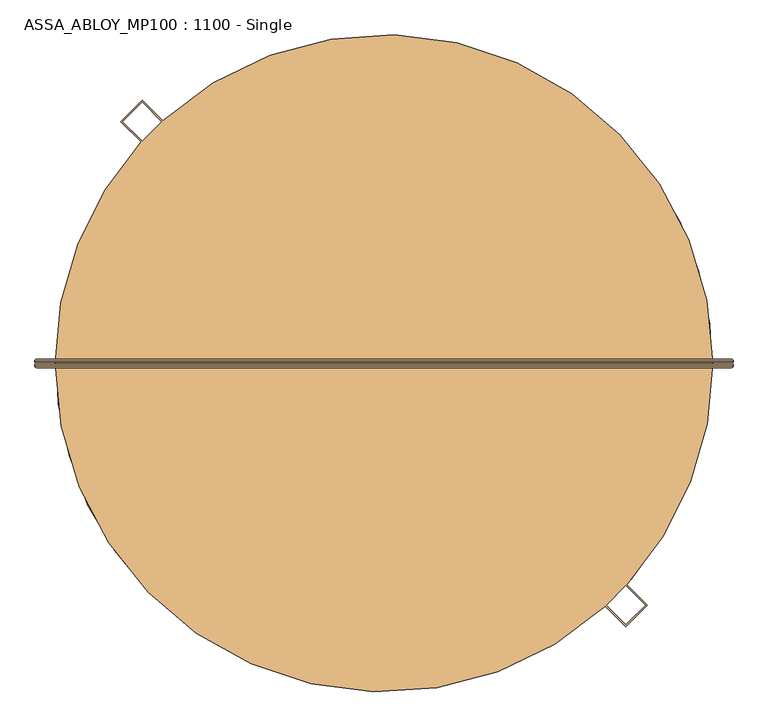
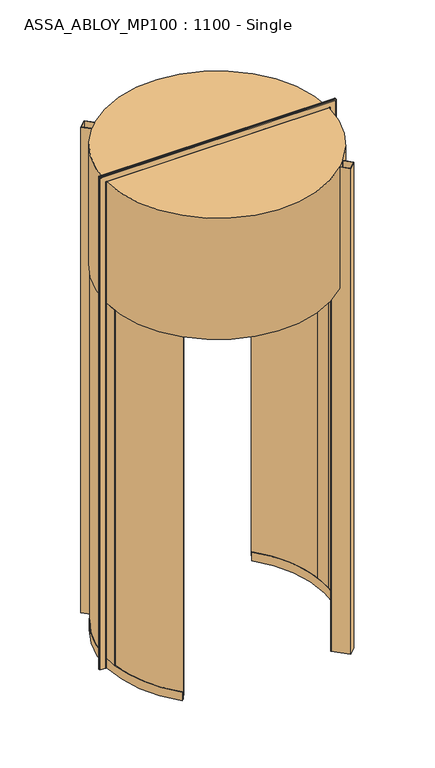
"""IFC4 building model written with IfcOpenShell, lengths in millimetres: door geometry, ASSA_ABLOY_MP100 : 1100 - Single."""

from ifc_helpers import new_model, si_unit, point, frame, frame_2d, origin, place, context, project, spatial, polyline, circle_curve, ellipse_curve, trimmed, segment, composite_curve, outline, extrude, source, transform, mapped, element, save
from ifc_brep_helpers import plane_surface, cylinder_surface, revolved_surface, advanced_brep


def assa_abloy_mp100_1100_single_3807e655(model_context):
    return source(origin(), model_context, "Body", "SolidModel", [
        advanced_brep(
        [(1042.5980762, 11.0, 0.0), (1046.5980762, 7.0, 0.0), (1046.5980762, 3.0, 0.0), (1044.5980762, 3.0, 0.0), (1044.5980762, 7.0, 0.0), (1042.5980762, 9.0, 0.0), (1000.5980762, 9.0, 0.0), (998.5980762, 7.0, 0.0), (998.5980762, 3.0, 0.0), (996.5980762, 3.0, 0.0), (996.5980762, 7.0, 0.0), (1000.5980762, 11.0, 0.0), (1042.5980762, 11.0, 4050.9980762), (1046.5980762, 7.0, 4054.9980762), (1046.5980762, 3.0, 4054.9980762), (996.5980762, 7.0, 4004.9980762), (1000.5980762, 11.0, 4008.9980762), (-750.5980762, 11.0, 4008.9980762), (-750.5980762, 11.0, 0.0), (-792.5980762, 11.0, 0.0), (-792.5980762, 11.0, 4050.9980762), (-796.5980762, 7.0, 4054.9980762), (-796.5980762, 3.0, 4054.9980762), (-746.5980762, 7.0, 4004.9980762), (-746.5980762, 7.0, 0.0), (-746.5980762, 3.0, 0.0), (-748.5980762, 3.0, 0.0), (-748.5980762, 7.0, 0.0), (-750.5980762, 9.0, 0.0), (-792.5980762, 9.0, 0.0), (-794.5980762, 7.0, 0.0), (-794.5980762, 3.0, 0.0), (-796.5980762, 3.0, 0.0), (-796.5980762, 7.0, 0.0), (-794.5980762, 3.0, 4052.9980762), (1044.5980762, 3.0, 4052.9980762), (1044.5980762, 7.0, 4052.9980762), (1042.5980762, 9.0, 4050.9980762), (-792.5980762, 9.0, 4050.9980762), (-750.5980762, 9.0, 4008.9980762), (1000.5980762, 9.0, 4008.9980762), (998.5980762, 7.0, 4006.9980762), (998.5980762, 3.0, 4006.9980762), (-748.5980762, 3.0, 4006.9980762), (-746.5980762, 3.0, 4004.9980762), (996.5980762, 3.0, 4004.9980762), (-794.5980762, 7.0, 4052.9980762), (-748.5980762, 7.0, 4006.9980762)],
        [
            (0, 1, circle_curve(frame((1042.5980762, 7.0, 0.0), z_axis=(0.0, 0.0, -1.0), x_axis=(-1.0, 0.0, 0.0)), 4.0)),
            (1, 2),
            (2, 3),
            (3, 4),
            (4, 5, circle_curve(frame((1042.5980762, 7.0, 0.0), z_axis=(0.0, 0.0, 1.0), x_axis=(-1.0, 0.0, 0.0)), 2.0)),
            (5, 6),
            (6, 7, circle_curve(frame((1000.5980762, 7.0, 0.0), z_axis=(0.0, 0.0, 1.0), x_axis=(-1.0, 0.0, 0.0)), 2.0)),
            (7, 8),
            (8, 9),
            (9, 10),
            (10, 11, circle_curve(frame((1000.5980762, 7.0, 0.0), z_axis=(0.0, 0.0, -1.0), x_axis=(-1.0, 0.0, 0.0)), 4.0)),
            (11, 0),
            (0, 12),
            (12, 13, ellipse_curve(frame((1042.5980762, 7.0, 4050.9980762), z_axis=(0.7071067811865475, 0.0, -0.7071067811865475), x_axis=(-0.7071067811865474, 0.0, -0.7071067811865476)), 5.6568542, 4.0)),
            (13, 1),
            (13, 14),
            (14, 2),
            (10, 15),
            (15, 16, ellipse_curve(frame((1000.5980762, 7.0, 4008.9980762), z_axis=(0.7071067811865475, 0.0, -0.7071067811865475), x_axis=(-0.7071067811865474, 0.0, -0.7071067811865476)), 5.6568542, 4.0)),
            (16, 11),
            (16, 17),
            (17, 18),
            (18, 19),
            (19, 20),
            (20, 12),
            (20, 21, ellipse_curve(frame((-792.5980762, 7.0, 4050.9980762), z_axis=(0.7071067811865475, 0.0, 0.7071067811865475), x_axis=(0.7071067811865476, 0.0, -0.7071067811865474)), 5.6568542, 4.0)),
            (21, 13),
            (21, 22),
            (22, 14),
            (15, 23),
            (23, 17, ellipse_curve(frame((-750.5980762, 7.0, 4008.9980762), z_axis=(0.7071067811865475, 0.0, 0.7071067811865475), x_axis=(0.7071067811865476, 0.0, -0.7071067811865474)), 5.6568542, 4.0)),
            (18, 24, circle_curve(frame((-750.5980762, 7.0, 0.0), z_axis=(0.0, 0.0, -1.0), x_axis=(1.0, 0.0, 0.0)), 4.0)),
            (24, 25),
            (25, 26),
            (26, 27),
            (27, 28, circle_curve(frame((-750.5980762, 7.0, 0.0), z_axis=(0.0, 0.0, 1.0), x_axis=(1.0, 0.0, 0.0)), 2.0)),
            (28, 29),
            (29, 30, circle_curve(frame((-792.5980762, 7.0, 0.0), z_axis=(0.0, 0.0, 1.0), x_axis=(1.0, 0.0, 0.0)), 2.0)),
            (30, 31),
            (31, 32),
            (32, 33),
            (33, 19, circle_curve(frame((-792.5980762, 7.0, 0.0), z_axis=(0.0, 0.0, -1.0), x_axis=(1.0, 0.0, 0.0)), 4.0)),
            (33, 21),
            (32, 22),
            (23, 24),
            (31, 34),
            (34, 35),
            (35, 3),
            (35, 36),
            (36, 4),
            (36, 37, ellipse_curve(frame((1042.5980762, 7.0, 4050.9980762), z_axis=(-0.7071067811865475, 0.0, 0.7071067811865475), x_axis=(0.7071067811865474, 0.0, 0.7071067811865476)), 2.8284271, 2.0)),
            (37, 5),
            (37, 38),
            (38, 29),
            (28, 39),
            (39, 40),
            (40, 6),
            (40, 41, ellipse_curve(frame((1000.5980762, 7.0, 4008.9980762), z_axis=(-0.7071067811865475, 0.0, 0.7071067811865475), x_axis=(0.7071067811865474, 0.0, 0.7071067811865476)), 2.8284271, 2.0)),
            (41, 7),
            (41, 42),
            (42, 8),
            (42, 43),
            (43, 26),
            (25, 44),
            (44, 45),
            (45, 9),
            (45, 15),
            (34, 46),
            (46, 36),
            (46, 38, ellipse_curve(frame((-792.5980762, 7.0, 4050.9980762), z_axis=(-0.7071067811865475, 0.0, -0.7071067811865475), x_axis=(-0.7071067811865476, 0.0, 0.7071067811865474)), 2.8284271, 2.0)),
            (39, 47, ellipse_curve(frame((-750.5980762, 7.0, 4008.9980762), z_axis=(-0.7071067811865475, 0.0, -0.7071067811865475), x_axis=(-0.7071067811865476, 0.0, 0.7071067811865474)), 2.8284271, 2.0)),
            (47, 41),
            (47, 43),
            (44, 23),
            (30, 46),
            (27, 47),
        ],
        [
            plane_surface(frame((996.6, 0.0, 0.0), z_axis=(0.0, 0.0, -1.0), x_axis=(0.0, -1.0, 0.0))),
            cylinder_surface(frame((1042.5980762, 7.0, 0.0), z_axis=(0.0, 0.0, -1.0), x_axis=(-1.0, 0.0, 0.0)), 4.0),
            plane_surface(frame((1046.5980762, 7.0, 0.0), z_axis=(1.0, 0.0, 0.0), x_axis=(0.0, 0.0, 1.0))),
            cylinder_surface(frame((1000.5980762, 7.0, 0.0), z_axis=(0.0, 0.0, -1.0), x_axis=(-1.0, 0.0, 0.0)), 4.0),
            plane_surface(frame((1000.5980762, 11.0, 0.0), z_axis=(0.0, 1.0, 0.0), x_axis=(0.0, 0.0, 1.0))),
            cylinder_surface(frame((996.6, 7.0, 4050.9980762), z_axis=(1.0, 0.0, 0.0), x_axis=(0.0, 0.0, -1.0)), 4.0),
            plane_surface(frame((1046.5980762, 7.0, 4054.9980762), z_axis=(0.0, 0.0, 1.0), x_axis=(-1.0, 0.0, 0.0))),
            cylinder_surface(frame((996.6, 7.0, 4008.9980762), z_axis=(1.0, 0.0, 0.0), x_axis=(0.0, 0.0, -1.0)), 4.0),
            plane_surface(frame((-746.6, 0.0, 0.0), z_axis=(0.0, 0.0, -1.0), x_axis=(0.0, -1.0, 0.0))),
            cylinder_surface(frame((-792.5980762, 7.0, 4005.0), z_axis=(0.0, 0.0, 1.0), x_axis=(1.0, 0.0, 0.0)), 4.0),
            plane_surface(frame((-796.5980762, 7.0, 4054.9980762), z_axis=(-1.0, 0.0, 0.0), x_axis=(0.0, 0.0, -1.0))),
            cylinder_surface(frame((-750.5980762, 7.0, 4005.0), z_axis=(0.0, 0.0, 1.0), x_axis=(1.0, 0.0, 0.0)), 4.0),
            plane_surface(frame((1046.5980762, 3.0, 0.0), z_axis=(0.0, -1.0, 0.0), x_axis=(0.0, 0.0, 1.0))),
            plane_surface(frame((1044.5980762, 3.0, 0.0), z_axis=(-1.0, 0.0, 0.0), x_axis=(0.0, 0.0, 1.0))),
            revolved_surface(polyline([(1040.5980762, 7.0, 4052.9980762), (1040.5980762, 7.0, 0.0)]), (1042.5980762, 7.0, 0.0), (0.0, 0.0, 1.0)),
            plane_surface(frame((1042.5980762, 9.0, 0.0), z_axis=(0.0, -1.0, 0.0), x_axis=(0.0, 0.0, 1.0))),
            revolved_surface(polyline([(998.5980762, 7.0, 4010.998076182502), (998.5980762, 7.0, 0.0)]), (1000.5980762, 7.0, 0.0), (0.0, 0.0, 1.0)),
            plane_surface(frame((998.5980762, 7.0, 0.0), z_axis=(1.0, 0.0, 0.0), x_axis=(0.0, 0.0, 1.0))),
            plane_surface(frame((998.5980762, 3.0, 0.0), z_axis=(0.0, -1.0, 0.0), x_axis=(0.0, 0.0, 1.0))),
            plane_surface(frame((996.5980762, 3.0, 0.0), z_axis=(-1.0, 0.0, 0.0), x_axis=(0.0, 0.0, 1.0))),
            plane_surface(frame((1044.5980762, 3.0, 4052.9980762), z_axis=(0.0, 0.0, -1.0), x_axis=(-1.0, 0.0, 0.0))),
            revolved_surface(polyline([(-794.5980762, 7.0, 4048.9980762), (1044.5980762, 7.0, 4048.9980762)]), (996.6, 7.0, 4050.9980762), (-1.0, 0.0, 0.0)),
            revolved_surface(polyline([(-752.5980761825018, 7.0, 4006.9980762), (1002.5980761825018, 7.0, 4006.9980762)]), (996.6, 7.0, 4008.9980762), (-1.0, 0.0, 0.0)),
            plane_surface(frame((998.5980762, 7.0, 4006.9980762), z_axis=(0.0, 0.0, 1.0), x_axis=(-1.0, 0.0, 0.0))),
            plane_surface(frame((996.5980762, 3.0, 4004.9980762), z_axis=(0.0, 0.0, -1.0), x_axis=(-1.0, 0.0, 0.0))),
            plane_surface(frame((-794.5980762, 3.0, 4052.9980762), z_axis=(1.0, 0.0, 0.0), x_axis=(0.0, 0.0, -1.0))),
            revolved_surface(polyline([(-790.5980762, 7.0, 0.0), (-790.5980762, 7.0, 4052.9980762)]), (-792.5980762, 7.0, 4005.0), (0.0, 0.0, -1.0)),
            revolved_surface(polyline([(-748.5980762, 7.0, 0.0), (-748.5980762, 7.0, 4010.998076182502)]), (-750.5980762, 7.0, 4005.0), (0.0, 0.0, -1.0)),
            plane_surface(frame((-748.5980762, 7.0, 4006.9980762), z_axis=(-1.0, 0.0, 0.0), x_axis=(0.0, 0.0, -1.0))),
            plane_surface(frame((-746.5980762, 3.0, 4004.9980762), z_axis=(1.0, 0.0, 0.0), x_axis=(0.0, 0.0, -1.0))),
        ],
        [
            (0, [[1, 2, 3, 4, 5, 6, 7, 8, 9, 10, 11, 12]]),
            (1, [[-1, 13, 14, 15]]),
            (2, [[-2, -15, 16, 17]]),
            (3, [[-11, 18, 19, 20]]),
            (4, [[-12, -20, 21, 22, 23, 24, 25, -13]]),
            (5, [[-14, -25, 26, 27]]),
            (6, [[-16, -27, 28, 29]]),
            (7, [[-19, 30, 31, -21]]),
            (8, [[-23, 32, 33, 34, 35, 36, 37, 38, 39, 40, 41, 42]]),
            (9, [[-26, -24, -42, 43]]),
            (10, [[-28, -43, -41, 44]]),
            (11, [[-31, 45, -32, -22]]),
            (12, [[-3, -17, -29, -44, -40, 46, 47, 48]]),
            (13, [[-4, -48, 49, 50]]),
            (14, [[-5, -50, 51, 52]]),
            (15, [[-6, -52, 53, 54, -37, 55, 56, 57]]),
            (16, [[-7, -57, 58, 59]]),
            (17, [[-8, -59, 60, 61]]),
            (18, [[-9, -61, 62, 63, -34, 64, 65, 66]]),
            (19, [[-10, -66, 67, -18]]),
            (20, [[-49, -47, 68, 69]]),
            (21, [[-51, -69, 70, -53]]),
            (22, [[-58, -56, 71, 72]]),
            (23, [[-60, -72, 73, -62]]),
            (24, [[-67, -65, 74, -30]]),
            (25, [[-68, -46, -39, 75]]),
            (26, [[-70, -75, -38, -54]]),
            (27, [[-71, -55, -36, 76]]),
            (28, [[-73, -76, -35, -63]]),
            (29, [[-74, -64, -33, -45]]),
        ],
    ),
        advanced_brep(
        [(996.5980762, -3.0, 0.0), (998.5980762, -3.0, 0.0), (998.5980762, -7.0, 0.0), (1000.5980762, -9.0, 0.0), (1042.5980762, -9.0, 0.0), (1044.5980762, -7.0, 0.0), (1044.5980762, -3.0, 0.0), (1046.5980762, -3.0, 0.0), (1046.5980762, -7.0, 0.0), (1042.5980762, -11.0, 0.0), (1000.5980762, -11.0, 0.0), (996.5980762, -7.0, 0.0), (1046.5980762, -7.0, 4054.9980762), (1042.5980762, -11.0, 4050.9980762), (-792.5980762, -11.0, 4050.9980762), (-792.5980762, -11.0, 0.0), (-750.5980762, -11.0, 0.0), (-750.5980762, -11.0, 4008.9980762), (1000.5980762, -11.0, 4008.9980762), (996.5980762, -7.0, 4004.9980762), (996.5980762, -3.0, 4004.9980762), (-796.5980762, -7.0, 4054.9980762), (-746.5980762, -7.0, 4004.9980762), (-746.5980762, -3.0, 4004.9980762), (-746.5980762, -3.0, 0.0), (-746.5980762, -7.0, 0.0), (-796.5980762, -7.0, 0.0), (-796.5980762, -3.0, 0.0), (-794.5980762, -3.0, 0.0), (-794.5980762, -7.0, 0.0), (-792.5980762, -9.0, 0.0), (-750.5980762, -9.0, 0.0), (-748.5980762, -7.0, 0.0), (-748.5980762, -3.0, 0.0), (-748.5980762, -3.0, 4006.9980762), (998.5980762, -3.0, 4006.9980762), (998.5980762, -7.0, 4006.9980762), (1000.5980762, -9.0, 4008.9980762), (-750.5980762, -9.0, 4008.9980762), (-792.5980762, -9.0, 4050.9980762), (1042.5980762, -9.0, 4050.9980762), (1044.5980762, -7.0, 4052.9980762), (1044.5980762, -3.0, 4052.9980762), (-794.5980762, -3.0, 4052.9980762), (-796.5980762, -3.0, 4054.9980762), (1046.5980762, -3.0, 4054.9980762), (-748.5980762, -7.0, 4006.9980762), (-794.5980762, -7.0, 4052.9980762)],
        [
            (0, 1),
            (1, 2),
            (2, 3, circle_curve(frame((1000.5980762, -7.0, 0.0), z_axis=(0.0, 0.0, 1.0), x_axis=(-1.0, 0.0, 0.0)), 2.0)),
            (3, 4),
            (4, 5, circle_curve(frame((1042.5980762, -7.0, 0.0), z_axis=(0.0, 0.0, 1.0), x_axis=(-1.0, 0.0, 0.0)), 2.0)),
            (5, 6),
            (6, 7),
            (7, 8),
            (8, 9, circle_curve(frame((1042.5980762, -7.0, 0.0), z_axis=(0.0, 0.0, -1.0), x_axis=(-1.0, 0.0, 0.0)), 4.0)),
            (9, 10),
            (10, 11, circle_curve(frame((1000.5980762, -7.0, 0.0), z_axis=(0.0, 0.0, -1.0), x_axis=(-1.0, 0.0, 0.0)), 4.0)),
            (11, 0),
            (8, 12),
            (12, 13, ellipse_curve(frame((1042.5980762, -7.0, 4050.9980762), z_axis=(0.7071067811865475, 0.0, -0.7071067811865475), x_axis=(-0.7071067811865474, 0.0, -0.7071067811865476)), 5.6568542, 4.0)),
            (13, 9),
            (13, 14),
            (14, 15),
            (15, 16),
            (16, 17),
            (17, 18),
            (18, 10),
            (18, 19, ellipse_curve(frame((1000.5980762, -7.0, 4008.9980762), z_axis=(0.7071067811865475, 0.0, -0.7071067811865475), x_axis=(-0.7071067811865474, 0.0, -0.7071067811865476)), 5.6568542, 4.0)),
            (19, 11),
            (19, 20),
            (20, 0),
            (12, 21),
            (21, 14, ellipse_curve(frame((-792.5980762, -7.0, 4050.9980762), z_axis=(0.7071067811865475, 0.0, 0.7071067811865475), x_axis=(0.7071067811865476, 0.0, -0.7071067811865474)), 5.6568542, 4.0)),
            (17, 22, ellipse_curve(frame((-750.5980762, -7.0, 4008.9980762), z_axis=(0.7071067811865475, 0.0, 0.7071067811865475), x_axis=(0.7071067811865476, 0.0, -0.7071067811865474)), 5.6568542, 4.0)),
            (22, 19),
            (22, 23),
            (23, 20),
            (24, 25),
            (25, 16, circle_curve(frame((-750.5980762, -7.0, 0.0), z_axis=(0.0, 0.0, -1.0), x_axis=(1.0, 0.0, 0.0)), 4.0)),
            (15, 26, circle_curve(frame((-792.5980762, -7.0, 0.0), z_axis=(0.0, 0.0, -1.0), x_axis=(1.0, 0.0, 0.0)), 4.0)),
            (26, 27),
            (27, 28),
            (28, 29),
            (29, 30, circle_curve(frame((-792.5980762, -7.0, 0.0), z_axis=(0.0, 0.0, 1.0), x_axis=(1.0, 0.0, 0.0)), 2.0)),
            (30, 31),
            (31, 32, circle_curve(frame((-750.5980762, -7.0, 0.0), z_axis=(0.0, 0.0, 1.0), x_axis=(1.0, 0.0, 0.0)), 2.0)),
            (32, 33),
            (33, 24),
            (21, 26),
            (25, 22),
            (24, 23),
            (33, 34),
            (34, 35),
            (35, 1),
            (35, 36),
            (36, 2),
            (36, 37, ellipse_curve(frame((1000.5980762, -7.0, 4008.9980762), z_axis=(-0.7071067811865475, 0.0, 0.7071067811865475), x_axis=(0.7071067811865474, 0.0, 0.7071067811865476)), 2.8284271, 2.0)),
            (37, 3),
            (37, 38),
            (38, 31),
            (30, 39),
            (39, 40),
            (40, 4),
            (40, 41, ellipse_curve(frame((1042.5980762, -7.0, 4050.9980762), z_axis=(-0.7071067811865475, 0.0, 0.7071067811865475), x_axis=(0.7071067811865474, 0.0, 0.7071067811865476)), 2.8284271, 2.0)),
            (41, 5),
            (41, 42),
            (42, 6),
            (42, 43),
            (43, 28),
            (27, 44),
            (44, 45),
            (45, 7),
            (45, 12),
            (34, 46),
            (46, 36),
            (46, 38, ellipse_curve(frame((-750.5980762, -7.0, 4008.9980762), z_axis=(-0.7071067811865475, 0.0, -0.7071067811865475), x_axis=(-0.7071067811865476, 0.0, 0.7071067811865474)), 2.8284271, 2.0)),
            (39, 47, ellipse_curve(frame((-792.5980762, -7.0, 4050.9980762), z_axis=(-0.7071067811865475, 0.0, -0.7071067811865475), x_axis=(-0.7071067811865476, 0.0, 0.7071067811865474)), 2.8284271, 2.0)),
            (47, 41),
            (47, 43),
            (44, 21),
            (32, 46),
            (29, 47),
        ],
        [
            plane_surface(frame((996.6, 0.0, 0.0), z_axis=(0.0, 0.0, -1.0), x_axis=(0.0, -1.0, 0.0))),
            cylinder_surface(frame((1042.5980762, -7.0, 0.0), z_axis=(0.0, 0.0, -1.0), x_axis=(-1.0, 0.0, 0.0)), 4.0),
            plane_surface(frame((1042.5980762, -11.0, 0.0), z_axis=(0.0, -1.0, 0.0), x_axis=(0.0, 0.0, 1.0))),
            cylinder_surface(frame((1000.5980762, -7.0, 0.0), z_axis=(0.0, 0.0, -1.0), x_axis=(-1.0, 0.0, 0.0)), 4.0),
            plane_surface(frame((996.5980762, -7.0, 0.0), z_axis=(-1.0, 0.0, 0.0), x_axis=(0.0, 0.0, 1.0))),
            cylinder_surface(frame((996.6, -7.0, 4050.9980762), z_axis=(1.0, 0.0, 0.0), x_axis=(0.0, 0.0, -1.0)), 4.0),
            cylinder_surface(frame((996.6, -7.0, 4008.9980762), z_axis=(1.0, 0.0, 0.0), x_axis=(0.0, 0.0, -1.0)), 4.0),
            plane_surface(frame((996.5980762, -7.0, 4004.9980762), z_axis=(0.0, 0.0, -1.0), x_axis=(-1.0, 0.0, 0.0))),
            plane_surface(frame((-746.6, 0.0, 0.0), z_axis=(0.0, 0.0, -1.0), x_axis=(0.0, -1.0, 0.0))),
            cylinder_surface(frame((-792.5980762, -7.0, 4005.0), z_axis=(0.0, 0.0, 1.0), x_axis=(1.0, 0.0, 0.0)), 4.0),
            cylinder_surface(frame((-750.5980762, -7.0, 4005.0), z_axis=(0.0, 0.0, 1.0), x_axis=(1.0, 0.0, 0.0)), 4.0),
            plane_surface(frame((-746.5980762, -7.0, 4004.9980762), z_axis=(1.0, 0.0, 0.0), x_axis=(0.0, 0.0, -1.0))),
            plane_surface(frame((996.5980762, -3.0, 0.0), z_axis=(0.0, 1.0, 0.0), x_axis=(0.0, 0.0, 1.0))),
            plane_surface(frame((998.5980762, -3.0, 0.0), z_axis=(1.0, 0.0, 0.0), x_axis=(0.0, 0.0, 1.0))),
            revolved_surface(polyline([(998.5980762, -7.0, 4010.998076182502), (998.5980762, -7.0, 0.0)]), (1000.5980762, -7.0, 0.0), (0.0, 0.0, 1.0)),
            plane_surface(frame((1000.5980762, -9.0, 0.0), z_axis=(0.0, 1.0, 0.0), x_axis=(0.0, 0.0, 1.0))),
            revolved_surface(polyline([(1040.5980762, -7.0, 4052.9980762), (1040.5980762, -7.0, 0.0)]), (1042.5980762, -7.0, 0.0), (0.0, 0.0, 1.0)),
            plane_surface(frame((1044.5980762, -7.0, 0.0), z_axis=(-1.0, 0.0, 0.0), x_axis=(0.0, 0.0, 1.0))),
            plane_surface(frame((1044.5980762, -3.0, 0.0), z_axis=(0.0, 1.0, 0.0), x_axis=(0.0, 0.0, 1.0))),
            plane_surface(frame((1046.5980762, -3.0, 0.0), z_axis=(1.0, 0.0, 0.0), x_axis=(0.0, 0.0, 1.0))),
            plane_surface(frame((998.5980762, -3.0, 4006.9980762), z_axis=(0.0, 0.0, 1.0), x_axis=(-1.0, 0.0, 0.0))),
            revolved_surface(polyline([(-752.5980761825018, -7.0, 4006.9980762), (1002.5980761825018, -7.0, 4006.9980762)]), (996.6, -7.0, 4008.9980762), (-1.0, 0.0, 0.0)),
            revolved_surface(polyline([(-794.5980762, -7.0, 4048.9980762), (1044.5980762, -7.0, 4048.9980762)]), (996.6, -7.0, 4050.9980762), (-1.0, 0.0, 0.0)),
            plane_surface(frame((1044.5980762, -7.0, 4052.9980762), z_axis=(0.0, 0.0, -1.0), x_axis=(-1.0, 0.0, 0.0))),
            plane_surface(frame((1046.5980762, -3.0, 4054.9980762), z_axis=(0.0, 0.0, 1.0), x_axis=(-1.0, 0.0, 0.0))),
            plane_surface(frame((-748.5980762, -3.0, 4006.9980762), z_axis=(-1.0, 0.0, 0.0), x_axis=(0.0, 0.0, -1.0))),
            revolved_surface(polyline([(-748.5980762, -7.0, 0.0), (-748.5980762, -7.0, 4010.998076182502)]), (-750.5980762, -7.0, 4005.0), (0.0, 0.0, -1.0)),
            revolved_surface(polyline([(-790.5980762, -7.0, 0.0), (-790.5980762, -7.0, 4052.9980762)]), (-792.5980762, -7.0, 4005.0), (0.0, 0.0, -1.0)),
            plane_surface(frame((-794.5980762, -7.0, 4052.9980762), z_axis=(1.0, 0.0, 0.0), x_axis=(0.0, 0.0, -1.0))),
            plane_surface(frame((-796.5980762, -3.0, 4054.9980762), z_axis=(-1.0, 0.0, 0.0), x_axis=(0.0, 0.0, -1.0))),
        ],
        [
            (0, [[1, 2, 3, 4, 5, 6, 7, 8, 9, 10, 11, 12]]),
            (1, [[-9, 13, 14, 15]]),
            (2, [[-10, -15, 16, 17, 18, 19, 20, 21]]),
            (3, [[-11, -21, 22, 23]]),
            (4, [[-12, -23, 24, 25]]),
            (5, [[-14, 26, 27, -16]]),
            (6, [[-22, -20, 28, 29]]),
            (7, [[-24, -29, 30, 31]]),
            (8, [[32, 33, -18, 34, 35, 36, 37, 38, 39, 40, 41, 42]]),
            (9, [[-27, 43, -34, -17]]),
            (10, [[-28, -19, -33, 44]]),
            (11, [[-30, -44, -32, 45]]),
            (12, [[-1, -25, -31, -45, -42, 46, 47, 48]]),
            (13, [[-2, -48, 49, 50]]),
            (14, [[-3, -50, 51, 52]]),
            (15, [[-4, -52, 53, 54, -39, 55, 56, 57]]),
            (16, [[-5, -57, 58, 59]]),
            (17, [[-6, -59, 60, 61]]),
            (18, [[-7, -61, 62, 63, -36, 64, 65, 66]]),
            (19, [[-8, -66, 67, -13]]),
            (20, [[-49, -47, 68, 69]]),
            (21, [[-51, -69, 70, -53]]),
            (22, [[-58, -56, 71, 72]]),
            (23, [[-60, -72, 73, -62]]),
            (24, [[-67, -65, 74, -26]]),
            (25, [[-68, -46, -41, 75]]),
            (26, [[-70, -75, -40, -54]]),
            (27, [[-71, -55, -38, 76]]),
            (28, [[-73, -76, -37, -63]]),
            (29, [[-74, -64, -35, -43]]),
        ],
    ),
        advanced_brep(
        [(-482.9102904, -588.4264452, 73.0), (-485.0658732, -590.5129405, 73.0), (-485.0658732, -590.5129405, 39.0), (-495.1252598, -600.2499185, 39.0), (-495.1252598, -600.2499185, 73.0), (-497.2808427, -602.3364137, 73.0), (-497.2808427, -602.3364137, 0.0), (-495.1252598, -600.2499185, 0.0), (-495.1252598, -600.2499185, 24.0), (-485.0658732, -590.5129405, 24.0), (-485.0658732, -590.5129405, 0.0), (-482.9102904, -588.4264452, 0.0), (-512.451694, 556.2876417, 73.0), (-512.451694, 556.2876417, 0.0), (-514.7120274, 558.2601763, 0.0), (-514.7120274, 558.2601763, 24.0), (-525.26025, 567.4653379, 24.0), (-525.26025, 567.4653379, 0.0), (-527.5205834, 569.4378726, 0.0), (-527.5205834, 569.4378726, 73.0), (-525.26025, 567.4653379, 73.0), (-525.26025, 567.4653379, 39.0), (-514.7120274, 558.2601763, 39.0), (-514.7120274, 558.2601763, 73.0), (-714.7525108, -103.035543, 73.0), (-717.7301806, -103.4008957, 73.0), (-723.5719004, 28.4891608, 73.0), (-720.5735897, 28.3884983, 73.0), (-737.564019, 28.9588613, 73.0), (-731.62598, -105.1058175, 73.0), (-734.6036498, -105.4711701, 73.0), (-740.5623297, 29.0595237, 73.0), (-740.5623297, 29.0595237, 3000.0), (-734.6036498, -105.4711701, 3000.0), (-731.62598, -105.1058175, 3000.0), (-737.564019, 28.9588613, 3000.0), (-720.5735897, 28.3884983, 3000.0), (-723.5719004, 28.4891608, 3000.0), (-717.7301806, -103.4008957, 3000.0), (-714.7525108, -103.035543, 3000.0)],
        [
            (0, 1),
            (1, 2),
            (2, 3),
            (3, 4),
            (4, 5),
            (5, 6),
            (6, 7),
            (7, 8),
            (8, 9),
            (9, 10),
            (10, 11),
            (11, 0),
            (12, 13),
            (13, 14),
            (14, 15),
            (15, 16),
            (16, 17),
            (17, 18),
            (18, 19),
            (19, 20),
            (20, 21),
            (21, 22),
            (22, 23),
            (23, 12),
            (0, 24, circle_curve(frame((125.0, 0.0, 73.0), z_axis=(0.0, 0.0, -1.0), x_axis=(-0.7185276169853758, -0.6954984282004648, 0.0)), 846.05)),
            (24, 25),
            (25, 1, circle_curve(frame((125.0, 0.0, 73.0), z_axis=(0.0, 0.0, 1.0), x_axis=(-0.7185276169853758, -0.6954984282004648, 0.0)), 849.05)),
            (23, 26, circle_curve(frame((125.0, 0.0, 73.0), z_axis=(0.0, 0.0, 1.0), x_axis=(-0.7185276169853758, -0.6954984282004648, 0.0)), 849.05)),
            (26, 27),
            (27, 12, circle_curve(frame((125.0, 0.0, 73.0), z_axis=(0.0, 0.0, -1.0), x_axis=(-0.7185276169853758, -0.6954984282004648, 0.0)), 846.05)),
            (25, 26, circle_curve(frame((125.0, 0.0, 73.0), z_axis=(0.0, 0.0, -1.0), x_axis=(-0.7185276169853758, -0.6954984282004648, 0.0)), 849.05)),
            (22, 2, circle_curve(frame((125.0, 0.0, 39.0), z_axis=(0.0, 0.0, 1.0), x_axis=(-0.7185276169853758, -0.6954984282004648, 0.0)), 849.05)),
            (21, 3, circle_curve(frame((125.0, 0.0, 39.0), z_axis=(0.0, 0.0, 1.0), x_axis=(-0.7185276169853758, -0.6954984282004648, 0.0)), 863.05)),
            (20, 28, circle_curve(frame((125.0, 0.0, 73.0), z_axis=(0.0, 0.0, 1.0), x_axis=(-0.7185276169853758, -0.6954984282004648, 0.0)), 863.05)),
            (28, 29, circle_curve(frame((125.0, 0.0, 73.0), z_axis=(0.0, 0.0, 1.0), x_axis=(-0.7185276169853758, -0.6954984282004648, 0.0)), 863.05)),
            (29, 4, circle_curve(frame((125.0, 0.0, 73.0), z_axis=(0.0, 0.0, 1.0), x_axis=(-0.7185276169853758, -0.6954984282004648, 0.0)), 863.05)),
            (29, 30),
            (30, 5, circle_curve(frame((125.0, 0.0, 73.0), z_axis=(0.0, 0.0, 1.0), x_axis=(-0.7185276169853758, -0.6954984282004648, 0.0)), 866.05)),
            (19, 31, circle_curve(frame((125.0, 0.0, 73.0), z_axis=(0.0, 0.0, 1.0), x_axis=(-0.7185276169853758, -0.6954984282004648, 0.0)), 866.05)),
            (31, 28),
            (30, 31, circle_curve(frame((125.0, 0.0, 73.0), z_axis=(0.0, 0.0, -1.0), x_axis=(-0.7185276169853758, -0.6954984282004648, 0.0)), 866.05)),
            (18, 6, circle_curve(frame((125.0, 0.0, 0.0), z_axis=(0.0, 0.0, 1.0), x_axis=(-0.7185276169853758, -0.6954984282004648, 0.0)), 866.05)),
            (17, 7, circle_curve(frame((125.0, 0.0, 0.0), z_axis=(0.0, 0.0, 1.0), x_axis=(-0.7185276169853758, -0.6954984282004648, 0.0)), 863.05)),
            (16, 8, circle_curve(frame((125.0, 0.0, 24.0), z_axis=(0.0, 0.0, 1.0), x_axis=(-0.7185276169853758, -0.6954984282004648, 0.0)), 863.05)),
            (15, 9, circle_curve(frame((125.0, 0.0, 24.0), z_axis=(0.0, 0.0, 1.0), x_axis=(-0.7185276169853758, -0.6954984282004648, 0.0)), 849.05)),
            (14, 10, circle_curve(frame((125.0, 0.0, 0.0), z_axis=(0.0, 0.0, 1.0), x_axis=(-0.7185276169853758, -0.6954984282004648, 0.0)), 849.05)),
            (13, 11, circle_curve(frame((125.0, 0.0, 0.0), z_axis=(0.0, 0.0, 1.0), x_axis=(-0.7185276169853758, -0.6954984282004648, 0.0)), 846.05)),
            (27, 24, circle_curve(frame((125.0, 0.0, 73.0), z_axis=(0.0, 0.0, 1.0), x_axis=(-0.7185276169853758, -0.6954984282004648, 0.0)), 846.05)),
            (32, 33, circle_curve(frame((125.0, 0.0, 3000.0), z_axis=(0.0, 0.0, 1.0), x_axis=(0.7071067811865459, -0.7071067811865491, 0.0)), 866.05)),
            (33, 34),
            (34, 35, circle_curve(frame((125.0, 0.0, 3000.0), z_axis=(0.0, 0.0, -1.0), x_axis=(0.7071067811865459, -0.7071067811865491, 0.0)), 863.05)),
            (35, 32),
            (32, 31),
            (30, 33),
            (29, 34),
            (28, 35),
            (36, 37),
            (37, 38, circle_curve(frame((125.0, 0.0, 3000.0), z_axis=(0.0, 0.0, 1.0), x_axis=(0.7071067811865459, -0.7071067811865492, 0.0)), 849.05)),
            (38, 39),
            (39, 36, circle_curve(frame((125.0, 0.0, 3000.0), z_axis=(0.0, 0.0, -1.0), x_axis=(0.7071067811865459, -0.7071067811865492, 0.0)), 846.05)),
            (36, 27),
            (26, 37),
            (25, 38),
            (24, 39),
        ],
        [
            plane_surface(frame((-490.0955665, -595.3814295, 0.0), z_axis=(0.6954984282004647, -0.7185276169853758, 0.0), x_axis=(0.0, 0.0, 1.0))),
            plane_surface(frame((-519.9861387, 562.8627571, 0.0), z_axis=(0.6575115438820531, 0.7534444701912936, 0.0), x_axis=(0.0, 0.0, 1.0))),
            plane_surface(frame((125.0, 0.0, 73.0), z_axis=(0.0, 0.0, 1.0), x_axis=(-0.7185276169853758, -0.6954984282004648, 0.0))),
            cylinder_surface(frame((125.0, 0.0, 0.0), z_axis=(0.0, 0.0, -1.0), x_axis=(-0.7185276169853758, -0.6954984282004648, 0.0)), 849.05),
            plane_surface(frame((125.0, 0.0, 39.0), z_axis=(0.0, 0.0, 1.0), x_axis=(-0.7185276169853758, -0.6954984282004648, 0.0))),
            revolved_surface(polyline([(-495.12525983922853, -600.2499184584111, 39.0), (-495.12525983922853, -600.2499184584111, 73.0)]), (125.0, 0.0, 0.0), (0.0, 0.0, -1.0)),
            cylinder_surface(frame((125.0, 0.0, 0.0), z_axis=(0.0, 0.0, -1.0), x_axis=(-0.7185276169853758, -0.6954984282004648, 0.0)), 866.05),
            plane_surface(frame((125.0, 0.0, 0.0), z_axis=(0.0, 0.0, -1.0), x_axis=(-0.7185276169853758, -0.6954984282004648, 0.0))),
            revolved_surface(polyline([(-495.12525983922853, -600.2499184584111, 0.0), (-495.12525983922853, -600.2499184584111, 24.0)]), (125.0, 0.0, 0.0), (0.0, 0.0, -1.0)),
            plane_surface(frame((125.0, 0.0, 24.0), z_axis=(0.0, 0.0, -1.0), x_axis=(-0.7185276169853758, -0.6954984282004648, 0.0))),
            revolved_surface(polyline([(-482.9102903504772, -588.4264451790032, 0.0), (-482.9102903504772, -588.4264451790032, 73.0)]), (125.0, 0.0, 0.0), (0.0, 0.0, -1.0)),
            plane_surface(frame((737.3898278, -612.3898278, 3000.0), z_axis=(0.0, 0.0, 1.0000000000000002), x_axis=(0.7071067811865492, 0.7071067811865459, 0.0))),
            cylinder_surface(frame((125.0, 0.0, 73.0), z_axis=(0.0, 0.0, 1.0), x_axis=(0.7071067811865459, -0.7071067811865491, 0.0)), 866.05),
            plane_surface(frame((-734.6036498, -105.4711701, 3000.0), z_axis=(0.12178419839401228, -0.9925566024270495, 0.0), x_axis=(0.0, 0.0, -1.0))),
            revolved_surface(polyline([(735.2685075030485, -610.2685075030512, 73.0), (735.2685075030485, -610.2685075030512, 3000.0)]), (125.0, 0.0, 73.0), (0.0, 0.0, -1.0)),
            plane_surface(frame((-737.564019, 28.9588613, 3000.0), z_axis=(0.033554135143882786, 0.9994369014673944, 0.0), x_axis=(0.0, 0.0, -1.0))),
            plane_surface(frame((-720.5735897, 28.3884983, 3000.0), z_axis=(0.0, 0.0, 1.0000000000000002), x_axis=(-0.9994369000484605, 0.0335541774079422, 0.0))),
            plane_surface(frame((-720.5735897, 28.3884983, 3000.0), z_axis=(0.0335541774079422, 0.9994369000484605, 0.0), x_axis=(0.0, 0.0, -1.0))),
            cylinder_surface(frame((125.0, 0.0, 73.0), z_axis=(0.0, 0.0, 1.0000000000000002), x_axis=(0.7071067811865459, -0.7071067811865492, 0.0)), 849.05),
            plane_surface(frame((-717.7301806, -103.4008957, 3000.0), z_axis=(0.12178424015706274, -0.9925565973028273, 0.0), x_axis=(0.0, 0.0, -1.0))),
            revolved_surface(polyline([(723.2476922228772, -598.24769222288, 73.0), (723.2476922228772, -598.24769222288, 3000.000000000001)]), (125.0, 0.0, 73.0), (0.0, 0.0, -1.0000000000000002)),
        ],
        [
            (0, [[1, 2, 3, 4, 5, 6, 7, 8, 9, 10, 11, 12]]),
            (1, [[13, 14, 15, 16, 17, 18, 19, 20, 21, 22, 23, 24]]),
            (2, [[-1, 25, 26, 27]]),
            (2, [[-24, 28, 29, 30]]),
            (3, [[-2, -27, 31, -28, -23, 32]]),
            (4, [[-3, -32, -22, 33]]),
            (5, [[-4, -33, -21, 34, 35, 36]]),
            (2, [[-5, -36, 37, 38]]),
            (2, [[-20, 39, 40, -34]]),
            (6, [[-6, -38, 41, -39, -19, 42]]),
            (7, [[-7, -42, -18, 43]]),
            (8, [[-8, -43, -17, 44]]),
            (9, [[-9, -44, -16, 45]]),
            (3, [[-10, -45, -15, 46]]),
            (7, [[-11, -46, -14, 47]]),
            (10, [[-12, -47, -13, -30, 48, -25]]),
            (11, [[49, 50, 51, 52]]),
            (12, [[-49, 53, -41, 54]]),
            (13, [[-50, -54, -37, 55]]),
            (14, [[-51, -55, -35, 56]]),
            (15, [[-52, -56, -40, -53]]),
            (16, [[57, 58, 59, 60]]),
            (17, [[-57, 61, -29, 62]]),
            (18, [[-58, -62, -31, 63]]),
            (19, [[-59, -63, -26, 64]]),
            (20, [[-60, -64, -48, -61]]),
        ],
    ),
        advanced_brep(
        [(984.6022096, 105.4710885, 3000.0), (981.6245398, 105.1057357, 3000.0), (987.5625772, -28.9589072, 3000.0), (990.5608879, -29.0595698, 3000.0), (984.6022096, 105.4710885, 73.0), (981.6245398, 105.1057357, 73.0), (987.5625772, -28.9589072, 73.0), (990.5608879, -29.0595698, 73.0), (775.2618102, -567.4613609, 24.0), (775.2618102, -567.4613609, 0.0), (777.5221528, -569.433885, 0.0), (777.5221528, -569.433885, 73.0), (775.2618102, -567.4613609, 73.0), (775.2618102, -567.4613609, 39.0), (764.7135447, -558.2562485, 39.0), (764.7135447, -558.2562485, 73.0), (762.4532021, -556.2837244, 73.0), (762.4532021, -556.2837244, 0.0), (764.7135447, -558.2562485, 0.0), (764.7135447, -558.2562485, 24.0), (745.1261875, 600.2468904, 24.0), (735.0667691, 590.5099453, 24.0), (735.0667691, 590.5099453, 0.0), (732.9111794, 588.4234571, 0.0), (732.9111794, 588.4234571, 73.0), (735.0667691, 590.5099453, 73.0), (735.0667691, 590.5099453, 39.0), (745.1261875, 600.2468904, 39.0), (745.1261875, 600.2468904, 73.0), (747.2817772, 602.3333787, 73.0), (747.2817772, 602.3333787, 0.0), (745.1261875, 600.2468904, 0.0), (967.7287475, 103.400756, 73.0), (973.5704606, -28.4891483, 73.0), (970.5721499, -28.3884857, 73.0), (964.7510777, 103.0354032, 73.0), (964.7510777, 103.0354032, 3000.0), (970.5721499, -28.3884857, 3000.0), (973.5704606, -28.4891483, 3000.0), (967.7287475, 103.400756, 3000.0)],
        [
            (0, 1),
            (1, 2, circle_curve(frame((125.0, 0.0, 3000.0), z_axis=(0.0, 0.0, -1.0), x_axis=(-0.7071067811865481, -0.7071067811865469, 0.0)), 863.0485606)),
            (2, 3),
            (3, 0, circle_curve(frame((125.0, 0.0, 3000.0), z_axis=(0.0, 0.0, 1.0), x_axis=(-0.7071067811865481, -0.7071067811865469, 0.0)), 866.0485606)),
            (0, 4),
            (4, 5),
            (5, 1),
            (5, 6, circle_curve(frame((125.0, 0.0, 73.0), z_axis=(0.0, 0.0, -1.0), x_axis=(-0.7071067811865481, -0.7071067811865469, 0.0)), 863.0485606)),
            (6, 2),
            (6, 7),
            (7, 3),
            (7, 4, circle_curve(frame((125.0, 0.0, 73.0), z_axis=(0.0, 0.0, 1.0), x_axis=(-0.7071067811865481, -0.7071067811865469, 0.0)), 866.0485606)),
            (8, 9),
            (9, 10),
            (10, 11),
            (11, 12),
            (12, 13),
            (13, 14),
            (14, 15),
            (15, 16),
            (16, 17),
            (17, 18),
            (18, 19),
            (19, 8),
            (20, 21),
            (21, 22),
            (22, 23),
            (23, 24),
            (24, 25),
            (25, 26),
            (26, 27),
            (27, 28),
            (28, 29),
            (29, 30),
            (30, 31),
            (31, 20),
            (8, 20, circle_curve(frame((125.0, 0.0, 24.0), z_axis=(0.0, 0.0, 1.0), x_axis=(0.7534475345629611, -0.6575080323927575, 0.0)), 863.0485606)),
            (31, 9, circle_curve(frame((125.0, 0.0, 0.0), z_axis=(0.0, 0.0, -1.0), x_axis=(0.7534475345629611, -0.6575080323927575, 0.0)), 863.0485606)),
            (30, 10, circle_curve(frame((125.0, 0.0, 0.0), z_axis=(0.0, 0.0, -1.0), x_axis=(0.7534475345629611, -0.6575080323927575, 0.0)), 866.0485606)),
            (29, 4, circle_curve(frame((125.0, 0.0, 73.0), z_axis=(0.0, 0.0, -1.0), x_axis=(0.7534475345629611, -0.6575080323927575, 0.0)), 866.0485606)),
            (7, 11, circle_curve(frame((125.0, 0.0, 73.0), z_axis=(0.0, 0.0, -1.0), x_axis=(0.7534475345629611, -0.6575080323927575, 0.0)), 866.0485606)),
            (6, 12, circle_curve(frame((125.0, 0.0, 73.0), z_axis=(0.0, 0.0, -1.0), x_axis=(0.7534475345629611, -0.6575080323927575, 0.0)), 863.0485606)),
            (28, 5, circle_curve(frame((125.0, 0.0, 73.0), z_axis=(0.0, 0.0, -1.0), x_axis=(0.7534475345629611, -0.6575080323927575, 0.0)), 863.0485606)),
            (27, 13, circle_curve(frame((125.0, 0.0, 39.0), z_axis=(0.0, 0.0, -1.0), x_axis=(0.7534475345629611, -0.6575080323927575, 0.0)), 863.0485606)),
            (26, 14, circle_curve(frame((125.0, 0.0, 39.0), z_axis=(0.0, 0.0, -1.0), x_axis=(0.7534475345629611, -0.6575080323927575, 0.0)), 849.0485606)),
            (25, 32, circle_curve(frame((125.0, 0.0, 73.0), z_axis=(0.0, 0.0, -1.0), x_axis=(0.7534475345629611, -0.6575080323927575, 0.0)), 849.0485606)),
            (32, 33, circle_curve(frame((125.0, 0.0, 73.0), z_axis=(0.0, 0.0, -1.0), x_axis=(0.7534475345629611, -0.6575080323927575, 0.0)), 849.0485606)),
            (33, 15, circle_curve(frame((125.0, 0.0, 73.0), z_axis=(0.0, 0.0, -1.0), x_axis=(0.7534475345629611, -0.6575080323927575, 0.0)), 849.0485606)),
            (33, 34),
            (34, 16, circle_curve(frame((125.0, 0.0, 73.0), z_axis=(0.0, 0.0, -1.0), x_axis=(0.7534475345629611, -0.6575080323927575, 0.0)), 846.0485606)),
            (24, 35, circle_curve(frame((125.0, 0.0, 73.0), z_axis=(0.0, 0.0, -1.0), x_axis=(0.7534475345629611, -0.6575080323927575, 0.0)), 846.0485606)),
            (35, 32),
            (34, 35, circle_curve(frame((125.0, 0.0, 73.0), z_axis=(0.0, 0.0, 1.0), x_axis=(0.7534475345629611, -0.6575080323927575, 0.0)), 846.0485606)),
            (23, 17, circle_curve(frame((125.0, 0.0, 0.0), z_axis=(0.0, 0.0, -1.0), x_axis=(0.7534475345629611, -0.6575080323927575, 0.0)), 846.0485606)),
            (22, 18, circle_curve(frame((125.0, 0.0, 0.0), z_axis=(0.0, 0.0, -1.0), x_axis=(0.7534475345629611, -0.6575080323927575, 0.0)), 849.0485606)),
            (21, 19, circle_curve(frame((125.0, 0.0, 24.0), z_axis=(0.0, 0.0, -1.0), x_axis=(0.7534475345629611, -0.6575080323927575, 0.0)), 849.0485606)),
            (36, 37, circle_curve(frame((125.0, 0.0, 3000.0), z_axis=(0.0, 0.0, -1.0), x_axis=(-0.707106781186548, -0.707106781186547, 0.0)), 846.0485606)),
            (37, 38),
            (38, 39, circle_curve(frame((125.0, 0.0, 3000.0), z_axis=(0.0, 0.0, 1.0), x_axis=(-0.707106781186548, -0.707106781186547, 0.0)), 849.0485606)),
            (39, 36),
            (36, 35),
            (34, 37),
            (33, 38),
            (32, 39),
        ],
        [
            plane_surface(frame((984.6022096, 105.4710885, 3000.0), z_axis=(0.0, 0.0, 1.0), x_axis=(-0.9925565940949448, -0.12178426630169857, 0.0))),
            plane_surface(frame((984.6022096, 105.4710885, 3000.0), z_axis=(-0.12178426630169857, 0.9925565940949448, 0.0), x_axis=(0.0, 0.0, -1.0))),
            revolved_surface(polyline([(-485.26748969354946, -610.2674896935484, 73.0), (-485.26748969354946, -610.2674896935484, 3000.0)]), (125.0, 0.0, 73.0), (0.0, 0.0, -1.0)),
            plane_surface(frame((987.5625772, -28.9589072, 3000.0), z_axis=(-0.0335542036738631, -0.9994368991666323, 0.0), x_axis=(0.0, 0.0, -1.0))),
            cylinder_surface(frame((125.0, 0.0, 73.0), z_axis=(0.0, 0.0, 1.0), x_axis=(-0.7071067811865481, -0.7071067811865469, 0.0)), 866.0485606),
            plane_surface(frame((769.9876774, -562.8588047, 0.0), z_axis=(-0.6575080323927576, -0.7534475345629612, 0.0), x_axis=(0.0, 0.0, 1.0))),
            plane_surface(frame((740.0964783, 595.3784179, 0.0), z_axis=(-0.6954960796328972, 0.7185298902726808, 0.0), x_axis=(0.0, 0.0, 1.0))),
            revolved_surface(polyline([(775.2618101921823, -567.4613609395075, 24.0), (775.2618101921823, -567.4613609395075, 0.0)]), (125.0, 0.0, 0.0), (0.0, 0.0, 1.0)),
            plane_surface(frame((125.0, 0.0, 0.0), z_axis=(0.0, 0.0, -1.0), x_axis=(0.7534475345629612, -0.6575080323927576, 0.0))),
            cylinder_surface(frame((125.0, 0.0, 0.0), z_axis=(0.0, 0.0, 1.0), x_axis=(0.7534475345629611, -0.6575080323927575, 0.0)), 866.0485606),
            plane_surface(frame((125.0, 0.0, 73.0), z_axis=(0.0, 0.0, 1.0), x_axis=(0.7534475345629612, -0.6575080323927576, 0.0))),
            revolved_surface(polyline([(775.2618101921823, -567.4613609395075, 73.0), (775.2618101921823, -567.4613609395075, 39.0)]), (125.0, 0.0, 0.0), (0.0, 0.0, 1.0)),
            plane_surface(frame((125.0, 0.0, 39.0), z_axis=(0.0, 0.0, 1.0), x_axis=(0.7534475345629612, -0.6575080323927576, 0.0))),
            cylinder_surface(frame((125.0, 0.0, 0.0), z_axis=(0.0, 0.0, 1.0), x_axis=(0.7534475345629611, -0.6575080323927575, 0.0)), 849.0485606),
            revolved_surface(polyline([(762.4532021046119, -556.2837243888306, 73.0), (762.4532021046119, -556.2837243888306, 0.0)]), (125.0, 0.0, 0.0), (0.0, 0.0, 1.0)),
            plane_surface(frame((125.0, 0.0, 24.0), z_axis=(0.0, 0.0, -1.0), x_axis=(0.7534475345629612, -0.6575080323927576, 0.0))),
            plane_surface(frame((-473.2466744, -598.2466744, 3000.0), z_axis=(0.0, 0.0, 1.0), x_axis=(-0.707106781186547, 0.707106781186548, 0.0))),
            revolved_surface(polyline([(-473.24667441337806, -598.2466744133773, 73.0), (-473.24667441337806, -598.2466744133773, 3000.0)]), (125.0, 0.0, 73.0), (0.0, 0.0, -1.0)),
            plane_surface(frame((970.5721499, -28.3884857, 3000.0), z_axis=(-0.03355420366947544, -0.9994368991667796, 0.0), x_axis=(0.0, 0.0, -1.0))),
            cylinder_surface(frame((125.0, 0.0, 73.0), z_axis=(0.0, 0.0, 1.0), x_axis=(-0.707106781186548, -0.707106781186547, 0.0)), 849.0485606),
            plane_surface(frame((967.7287475, 103.400756, 3000.0), z_axis=(-0.12178426629813777, 0.9925565940953818, 0.0), x_axis=(0.0, 0.0, -1.0))),
        ],
        [
            (0, [[1, 2, 3, 4]]),
            (1, [[-1, 5, 6, 7]]),
            (2, [[-2, -7, 8, 9]]),
            (3, [[-3, -9, 10, 11]]),
            (4, [[-4, -11, 12, -5]]),
            (5, [[13, 14, 15, 16, 17, 18, 19, 20, 21, 22, 23, 24]]),
            (6, [[25, 26, 27, 28, 29, 30, 31, 32, 33, 34, 35, 36]]),
            (7, [[-13, 37, -36, 38]]),
            (8, [[-14, -38, -35, 39]]),
            (9, [[-15, -39, -34, 40, -12, 41]]),
            (10, [[-16, -41, -10, 42]]),
            (10, [[-33, 43, -6, -40]]),
            (11, [[-17, -42, -8, -43, -32, 44]]),
            (12, [[-18, -44, -31, 45]]),
            (13, [[-19, -45, -30, 46, 47, 48]]),
            (10, [[-20, -48, 49, 50]]),
            (10, [[-29, 51, 52, -46]]),
            (14, [[-21, -50, 53, -51, -28, 54]]),
            (8, [[-22, -54, -27, 55]]),
            (13, [[-23, -55, -26, 56]]),
            (15, [[-24, -56, -25, -37]]),
            (16, [[57, 58, 59, 60]]),
            (17, [[-57, 61, -53, 62]]),
            (18, [[-58, -62, -49, 63]]),
            (19, [[-59, -63, -47, 64]]),
            (20, [[-60, -64, -52, -61]]),
        ],
    ),
        advanced_brep(
        [(763.16387, -694.7324125, 4000.0), (819.7324125, -638.16387, 4000.0), (766.04697, -584.4784275, 4000.0), (992.5, 0.0, 4000.0), (-459.4784275, 641.04697, 4000.0), (-513.16387, 694.7324125, 4000.0), (-569.7324125, 638.16387, 4000.0), (-516.04697, 584.4784275, 4000.0), (-742.5, 0.0, 4000.0), (709.4784275, -641.04697, 4000.0), (814.0755583, -638.16387, 4000.0), (763.16387, -689.0755583, 4000.0), (712.4308705, -638.3425588, 4000.0), (763.3425588, -587.4308705, 4000.0), (-462.4308705, 638.3425588, 4000.0), (-513.3425588, 587.4308705, 4000.0), (-564.0755583, 638.16387, 4000.0), (-513.16387, 689.0755583, 4000.0), (709.4784275, -641.04697, 3000.0), (-742.5, 0.0, 3000.0), (-516.04697, 584.4784275, 3000.0), (-470.7374631, 539.1689207, 3000.0), (-414.1689207, 595.7374631, 3000.0), (-459.4784275, 641.04697, 3000.0), (992.5, 0.0, 3000.0), (766.04697, -584.4784275, 3000.0), (720.7374631, -539.1689207, 3000.0), (664.1689207, -595.7374631, 3000.0), (763.3425588, -587.4308705, 3000.0), (712.4308705, -638.3425588, 3000.0), (669.8257749, -595.7374631, 3000.0), (720.7374631, -544.8257749, 3000.0), (-513.3425588, 587.4308705, 3000.0), (-462.4308705, 638.3425588, 3000.0), (-419.8257749, 595.7374631, 3000.0), (-470.7374631, 544.8257749, 3000.0), (763.16387, -694.7324125, 0.0), (664.1689207, -595.7374631, 0.0), (720.7374631, -539.1689207, 0.0), (819.7324125, -638.16387, 0.0), (720.7374631, -544.8257749, 0.0), (669.8257749, -595.7374631, 0.0), (763.16387, -689.0755583, 0.0), (814.0755583, -638.16387, 0.0), (-414.1689207, 595.7374631, 0.0), (-470.7374631, 539.1689207, 0.0), (-569.7324125, 638.16387, 0.0), (-513.16387, 694.7324125, 0.0), (-564.0755583, 638.16387, 0.0), (-470.7374631, 544.8257749, 0.0), (-419.8257749, 595.7374631, 0.0), (-513.16387, 689.0755583, 0.0)],
        [
            (0, 1),
            (1, 2),
            (2, 3, circle_curve(frame((125.0, 0.0, 4000.0), z_axis=(0.0, 0.0, 1.0), x_axis=(1.0, 0.0, 0.0)), 867.5)),
            (3, 4, circle_curve(frame((125.0, 0.0, 4000.0), z_axis=(0.0, 0.0, 1.0), x_axis=(1.0, 0.0, 0.0)), 867.5)),
            (4, 5),
            (5, 6),
            (6, 7),
            (7, 8, circle_curve(frame((125.0, 0.0, 4000.0), z_axis=(0.0, 0.0, 1.0), x_axis=(1.0, 0.0, 0.0)), 867.5)),
            (8, 9, circle_curve(frame((125.0, 0.0, 4000.0), z_axis=(0.0, 0.0, 1.0), x_axis=(1.0, 0.0, 0.0)), 867.5)),
            (9, 0),
            (10, 11),
            (11, 12),
            (12, 13, circle_curve(frame((125.0, 0.0, 4000.0), z_axis=(0.0, 0.0, 1.0), x_axis=(1.0, 0.0, 0.0)), 867.5)),
            (13, 10),
            (14, 15, circle_curve(frame((125.0, 0.0, 4000.0), z_axis=(0.0, 0.0, 1.0), x_axis=(1.0, 0.0, 0.0)), 867.5)),
            (15, 16),
            (16, 17),
            (17, 14),
            (18, 19, circle_curve(frame((125.0, 0.0, 3000.0), z_axis=(0.0, 0.0, -1.0), x_axis=(1.0, 0.0, 0.0)), 867.5)),
            (19, 20, circle_curve(frame((125.0, 0.0, 3000.0), z_axis=(0.0, 0.0, -1.0), x_axis=(1.0, 0.0, 0.0)), 867.5)),
            (20, 21),
            (21, 22),
            (22, 23),
            (23, 24, circle_curve(frame((125.0, 0.0, 3000.0), z_axis=(0.0, 0.0, -1.0), x_axis=(1.0, 0.0, 0.0)), 867.5)),
            (24, 25, circle_curve(frame((125.0, 0.0, 3000.0), z_axis=(0.0, 0.0, -1.0), x_axis=(1.0, 0.0, 0.0)), 867.5)),
            (25, 26),
            (26, 27),
            (27, 18),
            (28, 29, circle_curve(frame((125.0, 0.0, 3000.0), z_axis=(0.0, 0.0, -1.0), x_axis=(1.0, 0.0, 0.0)), 867.5)),
            (29, 30),
            (30, 31),
            (31, 28),
            (32, 33, circle_curve(frame((125.0, 0.0, 3000.0), z_axis=(0.0, 0.0, -1.0), x_axis=(1.0, 0.0, 0.0)), 867.5)),
            (33, 34),
            (34, 35),
            (35, 32),
            (12, 29),
            (28, 13),
            (8, 19),
            (18, 9),
            (24, 3),
            (2, 25),
            (14, 33),
            (32, 15),
            (7, 20),
            (23, 4),
            (36, 37),
            (37, 38),
            (38, 39),
            (39, 36),
            (40, 41),
            (41, 42),
            (42, 43),
            (43, 40),
            (36, 0),
            (27, 37),
            (26, 38),
            (1, 39),
            (40, 31),
            (30, 41),
            (11, 42),
            (10, 43),
            (44, 45),
            (45, 46),
            (46, 47),
            (47, 44),
            (48, 49),
            (49, 50),
            (50, 51),
            (51, 48),
            (44, 22),
            (21, 45),
            (6, 46),
            (5, 47),
            (48, 16),
            (35, 49),
            (34, 50),
            (17, 51),
        ],
        [
            plane_surface(frame((992.5, 0.0, 4000.0), z_axis=(0.0, 0.0, 1.0), x_axis=(0.0, 1.0, 0.0))),
            plane_surface(frame((992.5, 0.0, 3000.0), z_axis=(0.0, 0.0, -1.0), x_axis=(0.0, -1.0, 0.0))),
            cylinder_surface(frame((125.0, 0.0, 3000.0), z_axis=(0.0, 0.0, 1.0), x_axis=(1.0, 0.0, 0.0)), 867.5),
            plane_surface(frame((738.4151327, -613.4151327, 0.0), z_axis=(0.0, 0.0, -1.0), x_axis=(0.7071067811865459, -0.7071067811865491, 0.0))),
            plane_surface(frame((763.16387, -694.7324125, 0.0), z_axis=(-0.7071067811865487, -0.7071067811865464, 0.0), x_axis=(0.0, 0.0, 1.0))),
            plane_surface(frame((664.1689207, -595.7374631, 0.0), z_axis=(-0.7071067811865458, 0.7071067811865492, 0.0), x_axis=(0.0, 0.0, 1.0))),
            plane_surface(frame((720.7374631, -539.1689207, 0.0), z_axis=(0.7071067811865487, 0.7071067811865464, 0.0), x_axis=(0.0, 0.0, 1.0))),
            plane_surface(frame((819.7324125, -638.16387, 0.0), z_axis=(0.7071067811865458, -0.7071067811865492, 0.0), x_axis=(0.0, 0.0, 1.0))),
            plane_surface(frame((720.7374631, -544.8257749, 0.0), z_axis=(0.7071067811865457, -0.7071067811865495, 0.0), x_axis=(0.0, 0.0, 1.0))),
            plane_surface(frame((669.8257749, -595.7374631, 0.0), z_axis=(0.7071067811865488, 0.7071067811865462, 0.0), x_axis=(0.0, 0.0, 1.0))),
            plane_surface(frame((763.16387, -689.0755583, 0.0), z_axis=(-0.7071067811865457, 0.7071067811865495, 0.0), x_axis=(0.0, 0.0, 1.0))),
            plane_surface(frame((814.0755583, -638.16387, 0.0), z_axis=(-0.7071067811865488, -0.7071067811865462, 0.0), x_axis=(0.0, 0.0, 1.0))),
            plane_surface(frame((-488.4151327, 613.4151327, 0.0), z_axis=(0.0, 0.0, -1.0), x_axis=(-0.707106781186546, 0.7071067811865491, 0.0))),
            plane_surface(frame((-414.1689207, 595.7374631, 0.0), z_axis=(0.7071067811865455, -0.7071067811865497, 0.0), x_axis=(0.0, 0.0, 1.0))),
            plane_surface(frame((-470.7374631, 539.1689207, 0.0), z_axis=(-0.707106781186549, -0.7071067811865461, 0.0), x_axis=(0.0, 0.0, 1.0))),
            plane_surface(frame((-569.7324125, 638.16387, 0.0), z_axis=(-0.7071067811865458, 0.7071067811865492, 0.0), x_axis=(0.0, 0.0, 1.0))),
            plane_surface(frame((-513.16387, 694.7324125, 0.0), z_axis=(0.7071067811865492, 0.7071067811865458, 0.0), x_axis=(0.0, 0.0, 1.0))),
            plane_surface(frame((-564.0755583, 638.16387, 0.0), z_axis=(0.7071067811865493, 0.7071067811865457, 0.0), x_axis=(0.0, 0.0, 1.0))),
            plane_surface(frame((-470.7374631, 544.8257749, 0.0), z_axis=(-0.7071067811865461, 0.7071067811865489, 0.0), x_axis=(0.0, 0.0, 1.0))),
            plane_surface(frame((-419.8257749, 595.7374631, 0.0), z_axis=(-0.707106781186549, -0.707106781186546, 0.0), x_axis=(0.0, 0.0, 1.0))),
            plane_surface(frame((-513.16387, 689.0755583, 0.0), z_axis=(0.7071067811865457, -0.7071067811865493, 0.0), x_axis=(0.0, 0.0, 1.0))),
        ],
        [
            (0, [[1, 2, 3, 4, 5, 6, 7, 8, 9, 10], [11, 12, 13, 14], [15, 16, 17, 18]]),
            (1, [[19, 20, 21, 22, 23, 24, 25, 26, 27, 28]]),
            (1, [[29, 30, 31, 32]]),
            (1, [[33, 34, 35, 36]]),
            (2, [[-13, 37, -29, 38]]),
            (2, [[39, -19, 40, -9]]),
            (2, [[41, -3, 42, -25]]),
            (2, [[-15, 43, -33, 44]]),
            (2, [[-39, -8, 45, -20]]),
            (2, [[-41, -24, 46, -4]]),
            (3, [[47, 48, 49, 50], [51, 52, 53, 54]]),
            (4, [[-47, 55, -10, -40, -28, 56]]),
            (5, [[-48, -56, -27, 57]]),
            (6, [[-49, -57, -26, -42, -2, 58]]),
            (7, [[-50, -58, -1, -55]]),
            (8, [[-51, 59, -31, 60]]),
            (9, [[-52, -60, -30, -37, -12, 61]]),
            (10, [[-53, -61, -11, 62]]),
            (11, [[-54, -62, -14, -38, -32, -59]]),
            (12, [[63, 64, 65, 66], [67, 68, 69, 70]]),
            (13, [[-63, 71, -22, 72]]),
            (14, [[-64, -72, -21, -45, -7, 73]]),
            (15, [[-65, -73, -6, 74]]),
            (16, [[-66, -74, -5, -46, -23, -71]]),
            (17, [[-67, 75, -16, -44, -36, 76]]),
            (18, [[-68, -76, -35, 77]]),
            (19, [[-69, -77, -34, -43, -18, 78]]),
            (20, [[-70, -78, -17, -75]]),
        ],
    ),
        extrude(outline(composite_curve([segment(trimmed(circle_curve(frame_2d((125.0, 0.0)), 851.05), [point((-513.4137606, 562.7734649))], [point((-483.0767577, -595.4231766))], True, "CARTESIAN"), True, "CONTINUOUS"), segment(polyline([(-483.0767577, -595.4231766), (-490.2217757, -602.4195126)]), True, "CONTINUOUS"), segment(trimmed(circle_curve(frame_2d((125.0, 0.0)), 861.05), [point((-490.2217757, -602.4195126))], [point((-520.9152442, 569.3861606))], False, "CARTESIAN"), True, "CONTINUOUS"), segment(polyline([(-520.9152442, 569.3861606), (-513.4137606, 562.7734649)]), True, "CONTINUOUS")], self_intersect=False)), frame((0.0, 0.0, 39.0), z_axis=(0.0, 0.0, 1.0), x_axis=(1.0, 0.0, 0.0)), (0.0, 0.0, 1.0), 2961.0),
        extrude(outline(composite_curve([segment(trimmed(circle_curve(frame_2d((125.0, 0.0)), 861.0485606), [point((740.2207579, 602.4184947))], [point((770.7142523, -569.6119101))], False, "CARTESIAN"), True, "CONTINUOUS"), segment(polyline([(770.7142523, -569.6119101), (763.2150904, -562.9965815)]), True, "CONTINUOUS"), segment(trimmed(circle_curve(frame_2d((125.0, 0.0)), 851.0485606), [point((763.2150904, -562.9965815))], [point((733.0757398, 595.4221588))], True, "CARTESIAN"), True, "CONTINUOUS"), segment(polyline([(733.0757398, 595.4221588), (740.2207579, 602.4184947)]), True, "CONTINUOUS")], self_intersect=False)), frame((0.0, 0.0, 39.0), z_axis=(0.0, 0.0, 1.0), x_axis=(1.0, 0.0, 0.0)), (0.0, 0.0, 1.0), 2961.0),
    ])


if __name__ == "__main__":
    model = new_model("IFC4")
    model_context = context("Model", 3, world=origin())
    ifc_project = project(units=[si_unit("LENGTHUNIT", "METRE", prefix="MILLI")], contexts=[model_context])
    site = spatial("IfcSite", under=ifc_project)
    building = spatial("IfcBuilding", under=site)
    placement = place(None, origin())
    assa_abloy_mp100_1100_single_shape = assa_abloy_mp100_1100_single_3807e655(model_context)
    element("IfcDoor", 1, ObjectType="ASSA_ABLOY_MP100 : 1100 - Single", at=placement, inside=building, context=model_context, shape_type="MappedRepresentation", body=[
        mapped(assa_abloy_mp100_1100_single_shape, transform((0.0, 0.0, 0.0), x_axis=(1.0, 0.0, 0.0), y_axis=(0.0, 1.0, 0.0), z_axis=(0.0, 0.0, 1.0))),
    ])
    save(model, "model.ifc")
